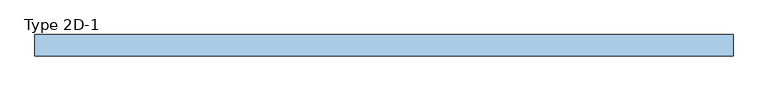
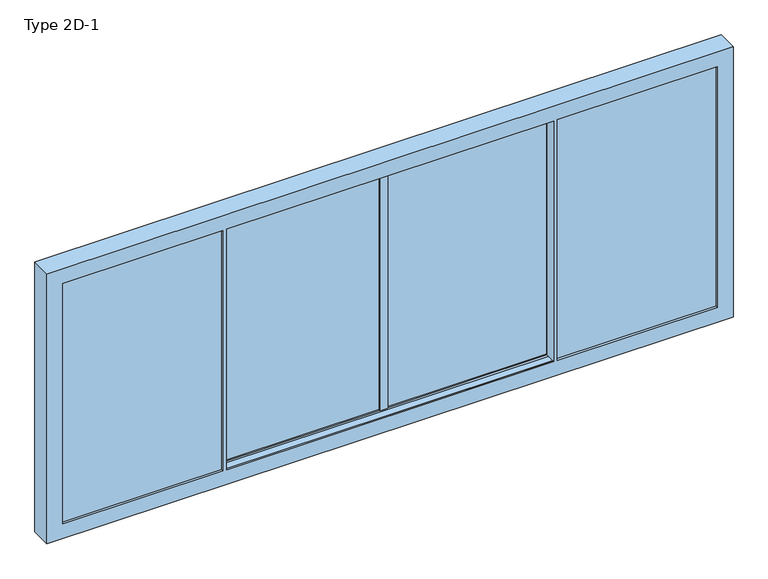
"""IFC4 building model written with IfcOpenShell, lengths in millimetres: window geometry, Type 2D-1."""

from ifc_helpers import new_model, si_unit, frame, origin, origin_with_axes, place, context, project, spatial, polyline, outline, extrude, faceted_brep, source, transform, mapped, element, save


def type_2d_1_ce3df3f1(model_context):
    return source(origin(), model_context, "Body", "SolidModel", [
        faceted_brep([(1588.0, 2.5, 0.0), (1588.0, 21.5001997, 0.0), (1607.800073, 21.5001997, 0.0), (1607.800073, 2.5, 0.0), (1607.800073, 110.0, 0.0), (1607.800073, 98.5, 0.0), (1573.0, 98.5, 0.0), (1573.0, 110.0, 0.0), (1588.0, 2.5, 2440.0), (1607.800073, 2.5, 2440.0), (1607.800073, 110.0, 2440.0), (1607.800073, 98.5, 2440.0), (1607.800073, 98.5, 2455.0), (1607.800073, 21.5001997, 2455.0), (1607.800073, 21.5001997, 2440.0), (1607.800073, 21.5001997, -15.0), (1607.800073, 98.5, -15.0), (1573.0, 110.0, 2440.0), (1573.0, 87.0001997, 0.0), (1573.0, 87.0001997, 2440.0), (1573.0, 98.5, 2440.0), (35.8002363, 98.5, 0.0), (6.0003093, 98.5, -15.0), (6.0003093, 98.5, 2455.0), (35.8002363, 98.5, 2440.0), (1588.0, 21.5001997, 2440.0), (6.0003093, 21.5001997, 2455.0), (6.0003093, 21.5001997, -15.0), (35.8002363, 21.5001997, 2440.0), (1573.0, 21.5001997, 2440.0), (1573.0, 21.5001997, 0.0), (35.8002363, 21.5001997, 0.0), (25.0002363, 87.0001997, -10.8), (1583.8, 87.0001997, -10.8), (1583.8, 87.0001997, 2450.8), (25.0002363, 87.0001997, 2450.8), (35.8002363, 87.0001997, 2440.0), (35.8002363, 87.0001997, 0.0), (25.0002363, 33.0001997, 2450.8), (25.0002363, 33.0001997, -10.8), (1583.8, 33.0001997, -10.8), (1583.8, 33.0001997, 2450.8), (35.8002363, 33.0001997, 0.0), (1573.0, 33.0001997, 0.0), (1573.0, 33.0001997, 2440.0), (35.8002363, 33.0001997, 2440.0)], [[[0, 1, 2, 3]], [[4, 5, 6, 7]], [[8, 0, 3, 9]], [[10, 11, 12, 13, 14, 9, 3, 2, 15, 16, 5, 4]], [[10, 4, 7, 17]], [[17, 7, 6, 18, 19, 20]], [[21, 6, 5, 16, 22, 23, 12, 11, 20, 24]], [[8, 25, 1, 0]], [[25, 14, 13, 26, 27, 15, 2, 1], [28, 29, 30, 31]], [[32, 33, 34, 35], [36, 19, 18, 37]], [[37, 18, 6, 21]], [[36, 37, 21, 24]], [[38, 39, 32, 35]], [[39, 40, 33, 32]], [[38, 41, 40, 39], [42, 43, 44, 45]], [[28, 31, 42, 45]], [[31, 30, 43, 42]], [[22, 16, 15, 27]], [[40, 41, 34, 33]], [[30, 29, 44, 43]], [[23, 22, 27, 26]], [[9, 14, 25, 8]], [[11, 10, 17, 20]], [[24, 20, 19, 36]], [[35, 34, 41, 38]], [[45, 44, 29, 28]], [[13, 12, 23, 26]]]),
        extrude(outline(polyline([(1583.8, 87.0001997), (1583.8, 33.0001997), (25.0002363, 33.0001997), (25.0002363, 87.0001997), (1583.8, 87.0001997)])), frame((0.0, 0.0, -10.8), z_axis=(0.0, 0.0, 1.0), x_axis=(1.0, 0.0, 0.0)), (0.0, 0.0, 1.0), 2461.6),
        extrude(outline(polyline([(-36.000173, 98.5), (-36.000173, 110.0), (35.8002363, 110.0), (35.8002363, 98.5), (-36.000173, 98.5)])), origin_with_axes(), (0.0, 0.0, 1.0), 2440.0),
        extrude(outline(polyline([(-36.000173, 10.0001997), (-36.000173, 21.5001997), (35.8002363, 21.5001997), (35.8002363, 10.0001997), (-36.000173, 10.0001997)])), origin_with_axes(), (0.0, 0.0, 1.0), 2440.0),
        faceted_brep([(-1588.0, 2.5, 0.0), (-1607.800073, 2.5, 0.0), (-1607.800073, 21.5001997, 0.0), (-1588.0, 21.5001997, 0.0), (-1607.800073, 110.0, 0.0), (-1573.0, 110.0, 0.0), (-1573.0, 98.5, 0.0), (-1607.800073, 98.5, 0.0), (-1588.0, 2.5, 2440.0), (-1607.800073, 2.5, 2440.0), (-1607.800073, 110.0, 2440.0), (-1607.800073, 98.5, -15.0), (-1607.800073, 21.5001997, -15.0), (-1607.800073, 21.5001997, 2440.0), (-1607.800073, 21.5001997, 2455.0), (-1607.800073, 98.5, 2455.0), (-1607.800073, 98.5, 2440.0), (-1573.0, 110.0, 2440.0), (-1573.0, 98.5, 2440.0), (-1573.0, 87.0001997, 2440.0), (-1573.0, 87.0001997, 0.0), (-35.8002363, 98.5, 0.0), (-35.8002363, 98.5, 2440.0), (-6.0003093, 98.5, 2455.0), (-6.0003093, 98.5, -15.0), (-1588.0, 21.5001997, 2440.0), (-6.0003093, 21.5001997, -15.0), (-6.0003093, 21.5001997, 2455.0), (-35.8002363, 21.5001997, 2440.0), (-35.8002363, 21.5001997, 0.0), (-1573.0, 21.5001997, 0.0), (-1573.0, 21.5001997, 2440.0), (-25.0002363, 87.0001997, -10.8), (-25.0002363, 87.0001997, 2450.8), (-1583.8, 87.0001997, 2450.8), (-1583.8, 87.0001997, -10.8), (-35.8002363, 87.0001997, 2440.0), (-35.8002363, 87.0001997, 0.0), (-25.0002363, 33.0001997, 2450.8), (-25.0002363, 33.0001997, -10.8), (-1583.8, 33.0001997, -10.8), (-1583.8, 33.0001997, 2450.8), (-35.8002363, 33.0001997, 0.0), (-35.8002363, 33.0001997, 2440.0), (-1573.0, 33.0001997, 2440.0), (-1573.0, 33.0001997, 0.0)], [[[0, 1, 2, 3]], [[4, 5, 6, 7]], [[8, 9, 1, 0]], [[10, 4, 7, 11, 12, 2, 1, 9, 13, 14, 15, 16]], [[10, 17, 5, 4]], [[17, 18, 19, 20, 6, 5]], [[21, 22, 18, 16, 15, 23, 24, 11, 7, 6]], [[8, 0, 3, 25]], [[25, 3, 2, 12, 26, 27, 14, 13], [28, 29, 30, 31]], [[32, 33, 34, 35], [36, 37, 20, 19]], [[37, 21, 6, 20]], [[36, 22, 21, 37]], [[38, 33, 32, 39]], [[39, 32, 35, 40]], [[38, 39, 40, 41], [42, 43, 44, 45]], [[28, 43, 42, 29]], [[29, 42, 45, 30]], [[24, 26, 12, 11]], [[40, 35, 34, 41]], [[30, 45, 44, 31]], [[23, 27, 26, 24]], [[9, 8, 25, 13]], [[16, 18, 17, 10]], [[22, 36, 19, 18]], [[33, 38, 41, 34]], [[43, 28, 31, 44]], [[14, 27, 23, 15]]]),
        extrude(outline(polyline([(-1583.8, 87.0001997), (-25.0002363, 87.0001997), (-25.0002363, 33.0001997), (-1583.8, 33.0001997), (-1583.8, 87.0001997)])), frame((0.0, 0.0, -10.8), z_axis=(0.0, 0.0, 1.0), x_axis=(1.0, 0.0, 0.0)), (0.0, 0.0, 1.0), 2461.6),
        faceted_brep([(3140.0, 98.5, 2440.0), (3140.0, 110.0, 2440.0), (3140.0, 110.0, 0.0), (3140.0, 98.5, 0.0), (3290.0, 110.0, 2590.0), (3290.0, 110.0, -150.0), (-3290.0, 110.0, -150.0), (-3290.0, 110.0, 2590.0), (-3140.0, 110.0, 2440.0), (-3140.0, 110.0, 0.0), (-3140.0, 98.5, 0.0), (3203.5, 98.5, -63.5), (3203.5, 98.5, 2503.5), (-3203.5, 98.5, 2503.5), (-3203.5, 98.5, -63.5), (-3140.0, 98.5, 2440.0), (3203.5, 21.5, -63.5), (-3203.5, 21.5, -63.5), (3203.5, 21.5, 2503.5), (-3203.5, 21.5, 2503.5), (3140.0, 21.5, 0.0), (3140.0, 21.5, 2440.0), (-3140.0, 21.5, 2440.0), (-3140.0, 21.5, 0.0), (-3140.0, -12.9998003, 0.0), (-1603.0, -12.9998003, 0.0), (-1603.0, -1.5, 0.0), (-1588.0, -1.5, 0.0), (-1588.0, 17.5001997, 0.0), (-1568.0, 17.5001997, 0.0), (-1568.0, -1.5, 0.0), (1568.0, -1.5, 0.0), (1568.0, 17.5001997, 0.0), (1588.0, 17.5001997, 0.0), (1588.0, -1.5, 0.0), (1603.0, -1.5, 0.0), (1603.0, -12.9998003, 0.0), (3140.0, -12.9998003, 0.0), (3203.5, -1.5, -63.5), (3203.5, -1.5, 2503.5), (-3203.5, -1.5, 2503.5), (-3203.5, -1.5, -63.5), (-1588.0, -1.5, 0.0), (-1588.0, -1.5, -15.0), (-3155.0, -1.5, -15.0), (-3155.0, -1.5, 2455.0), (-1588.0, -1.5, 2455.0), (-1588.0, -1.5, 2440.0), (-1568.0, -1.5, 2440.0), (1568.0, -1.5, 2440.0), (1588.0, -1.5, 2440.0), (1588.0, -1.5, 2455.0), (3155.0, -1.5, 2455.0), (3155.0, -1.5, -15.0), (1588.0, -1.5, -15.0), (1588.0, -1.5, 0.0), (3290.0, -90.0, 2590.0), (3290.0, -90.0, -150.0), (-3290.0, -90.0, 2590.0), (-3290.0, -90.0, -150.0), (1568.0, -90.0, 0.0), (-1568.0, -90.0, 0.0), (-1568.0, -90.0, 2440.0), (1568.0, -90.0, 2440.0), (-3140.0, -90.0, 0.0), (-3140.0, -90.0, 2440.0), (-1603.0, -90.0, 2440.0), (-1603.0, -90.0, 0.0), (3140.0, -90.0, 2440.0), (3140.0, -90.0, 0.0), (1603.0, -90.0, 0.0), (1603.0, -90.0, 2440.0), (1568.0, -78.5, 0.0), (-1568.0, -78.5, 0.0), (-1603.0, -66.9998003, 0.0), (-3140.0, -66.9998003, 0.0), (3140.0, -66.9998003, 0.0), (1603.0, -66.9998003, 0.0), (-3140.0, -12.9998003, 2440.0), (3140.0, -66.9998003, 2440.0), (3203.5, -78.5, 2503.5), (3203.5, -78.5, -63.5), (-3203.5, -78.5, -63.5), (-3203.5, -78.5, 2503.5), (-1588.0, -78.5, -15.0), (-1588.0, -78.5, 0.0), (1588.0, -78.5, 0.0), (1588.0, -78.5, -15.0), (3155.0, -78.5, -15.0), (3155.0, -78.5, 2455.0), (1588.0, -78.5, 2455.0), (1588.0, -78.5, 2440.0), (1568.0, -78.5, 2440.0), (-1568.0, -78.5, 2440.0), (-1588.0, -78.5, 2440.0), (-1588.0, -78.5, 2455.0), (-3155.0, -78.5, 2455.0), (-3155.0, -78.5, -15.0), (3140.0, -12.9998003, 2440.0), (1603.0, -12.9998003, 2440.0), (1603.0, -1.5, 2440.0), (1588.0, -1.5, 2440.0), (1588.0, 17.5001997, 2440.0), (1568.0, 17.5001997, 2440.0), (-1568.0, 17.5001997, 2440.0), (-1588.0, 17.5001997, 2440.0), (-1588.0, -1.5, 2440.0), (-1603.0, -1.5, 2440.0), (-1603.0, -12.9998003, 2440.0), (-1603.0, -66.9998003, 2440.0), (-3140.0, -66.9998003, 2440.0), (1603.0, -66.9998003, 2440.0), (1592.2, -12.9998003, 2450.8), (1592.2, -12.9998003, -10.8), (3150.8, -12.9998003, -10.8), (3150.8, -12.9998003, 2450.8), (-1592.2, -12.9998003, -10.8), (-1592.2, -12.9998003, 2450.8), (-3150.8, -12.9998003, 2450.8), (-3150.8, -12.9998003, -10.8), (1592.2, -66.9998003, -10.8), (1592.2, -66.9998003, 2450.8), (3150.8, -66.9998003, 2450.8), (3150.8, -66.9998003, -10.8), (-1592.2, -66.9998003, 2450.8), (-1592.2, -66.9998003, -10.8), (-3150.8, -66.9998003, -10.8), (-3150.8, -66.9998003, 2450.8)], [[[0, 1, 2, 3]], [[4, 5, 6, 7], [2, 1, 8, 9]], [[3, 2, 9, 10]], [[11, 12, 13, 14], [0, 3, 10, 15]], [[16, 11, 14, 17]], [[18, 16, 17, 19], [20, 21, 22, 23]], [[20, 23, 24, 25, 26, 27, 28, 29, 30, 31, 32, 33, 34, 35, 36, 37]], [[38, 39, 40, 41], [42, 43, 44, 45, 46, 47, 48, 49, 50, 51, 52, 53, 54, 55, 31, 30]], [[4, 56, 57, 5]], [[57, 56, 58, 59], [60, 61, 62, 63], [64, 65, 66, 67], [68, 69, 70, 71]], [[5, 57, 59, 6]], [[10, 9, 8, 15]], [[6, 59, 58, 7]], [[60, 72, 73, 61]], [[67, 74, 75, 64]], [[76, 77, 70, 69]], [[23, 22, 78, 24]], [[69, 68, 79, 76]], [[80, 81, 82, 83], [84, 85, 73, 72, 86, 87, 88, 89, 90, 91, 92, 93, 94, 95, 96, 97]], [[81, 38, 41, 82]], [[18, 12, 11, 16]], [[80, 39, 38, 81]], [[17, 14, 13, 19]], [[82, 41, 40, 83]], [[1, 0, 15, 8]], [[22, 21, 98, 99, 100, 101, 102, 103, 49, 48, 104, 105, 106, 107, 108, 78]], [[12, 18, 19, 13]], [[56, 4, 7, 58]], [[92, 63, 62, 93]], [[109, 66, 65, 110]], [[111, 79, 68, 71]], [[39, 80, 83, 40]], [[65, 64, 75, 110]], [[21, 20, 37, 98]], [[109, 74, 67, 66]], [[77, 111, 71, 70]], [[62, 61, 73, 30, 29, 104, 48, 93]], [[103, 32, 31, 72, 60, 63, 92, 49]], [[112, 113, 114, 115], [36, 99, 98, 37]], [[116, 117, 118, 119], [108, 25, 24, 78]], [[108, 107, 26, 25]], [[26, 107, 106, 27]], [[105, 28, 27, 106]], [[28, 105, 104, 29]], [[102, 33, 32, 103]], [[33, 102, 101, 34]], [[100, 35, 34, 101]], [[100, 99, 36, 35]], [[120, 121, 122, 123], [111, 77, 76, 79]], [[124, 125, 126, 127], [74, 109, 110, 75]], [[84, 43, 42, 85]], [[46, 95, 94, 47]], [[43, 84, 97, 44]], [[44, 97, 96, 45]], [[88, 53, 52, 89]], [[87, 54, 53, 88]], [[54, 87, 86, 55]], [[90, 51, 50, 91]], [[72, 31, 55, 86]], [[30, 73, 85, 42]], [[124, 117, 116, 125]], [[125, 116, 119, 126]], [[126, 119, 118, 127]], [[112, 121, 120, 113]], [[113, 120, 123, 114]], [[114, 123, 122, 115]], [[95, 46, 45, 96]], [[93, 48, 47, 94]], [[49, 92, 91, 50]], [[51, 90, 89, 52]], [[117, 124, 127, 118]], [[121, 112, 115, 122]]]),
        extrude(outline(polyline([(3140.0, 98.5), (3155.0, 98.5), (3155.0, 21.5), (3140.0, 21.5), (3140.0, 98.5)])), frame((0.0, 0.0, -15.0), z_axis=(0.0, 0.0, 1.0), x_axis=(1.0, 0.0, 0.0)), (0.0, 0.0, 1.0), 2470.0),
        extrude(outline(polyline([(-3140.0, 98.5), (-3140.0, 21.5), (-3155.0, 21.5), (-3155.0, 98.5), (-3140.0, 98.5)])), frame((0.0, 0.0, -15.0), z_axis=(0.0, 0.0, 1.0), x_axis=(1.0, 0.0, 0.0)), (0.0, 0.0, 1.0), 2470.0),
        extrude(outline(polyline([(-1592.2, -66.9998003), (-3150.8, -66.9998003), (-3150.8, -12.9998003), (-1592.2, -12.9998003), (-1592.2, -66.9998003)])), frame((0.0, 0.0, -10.8), z_axis=(0.0, 0.0, 1.0), x_axis=(1.0, 0.0, 0.0)), (0.0, 0.0, 1.0), 2461.6),
        extrude(outline(polyline([(3150.8, -66.9998003), (1592.2, -66.9998003), (1592.2, -12.9998003), (3150.8, -12.9998003), (3150.8, -66.9998003)])), frame((0.0, 0.0, -10.8), z_axis=(0.0, 0.0, 1.0), x_axis=(1.0, 0.0, 0.0)), (0.0, 0.0, 1.0), 2461.6),
        extrude(outline(polyline([(-1588.0, -78.5), (-1588.0, -1.5), (1588.0, -1.5), (1588.0, -78.5), (-1588.0, -78.5)])), frame((0.0, 0.0, -15.0103828), z_axis=(0.0, 0.0, 1.0), x_axis=(1.0, 0.0, 0.0)), (0.0, 0.0, 1.0), 15.0103828),
        extrude(outline(polyline([(21.5, -63.5), (21.5, -28.0), (50.0099329, -28.0), (60.0, -32.6584448), (69.9900671, -28.0), (98.5, -28.0), (98.5, -63.5), (21.5, -63.5)])), frame((-3155.0, 0.0, 0.0), z_axis=(1.0, 0.0, 0.0), x_axis=(0.0, 1.0, 0.0)), (0.0, 0.0, 1.0), 6310.0),
        extrude(outline(polyline([(-1588.0, -78.5), (-1588.0, -1.5), (1588.0, -1.5), (1588.0, -78.5), (-1588.0, -78.5)])), frame((0.0, 0.0, 2440.0103828), z_axis=(0.0, 0.0, 1.0), x_axis=(1.0, 0.0, 0.0)), (0.0, 0.0, 1.0), 14.9896172),
        extrude(outline(polyline([(-3155.0, 52.3501997), (-3155.0, 67.6501997), (3155.0, 67.6501997), (3155.0, 52.3501997), (-3155.0, 52.3501997)])), frame((0.0, 0.0, 2476.5103828), z_axis=(0.0, 0.0, 1.0), x_axis=(1.0, 0.0, 0.0)), (0.0, 0.0, 1.0), 26.9896172),
    ])


if __name__ == "__main__":
    model = new_model("IFC4")
    model_context = context("Model", 3, world=origin())
    ifc_project = project(units=[si_unit("LENGTHUNIT", "METRE", prefix="MILLI")], contexts=[model_context])
    site = spatial("IfcSite", under=ifc_project)
    building = spatial("IfcBuilding", under=site)
    placement = place(None, origin())
    type_2d_1_shape = type_2d_1_ce3df3f1(model_context)
    element("IfcWindow", 1, ObjectType="Type 2D-1", at=placement, inside=building, context=model_context, shape_type="MappedRepresentation", body=[
        mapped(type_2d_1_shape, transform((0.0, 0.0, 0.0), x_axis=(1.0, 0.0, 0.0), y_axis=(0.0, 1.0, 0.0), z_axis=(0.0, 0.0, 1.0))),
    ])
    save(model, "model.ifc")
